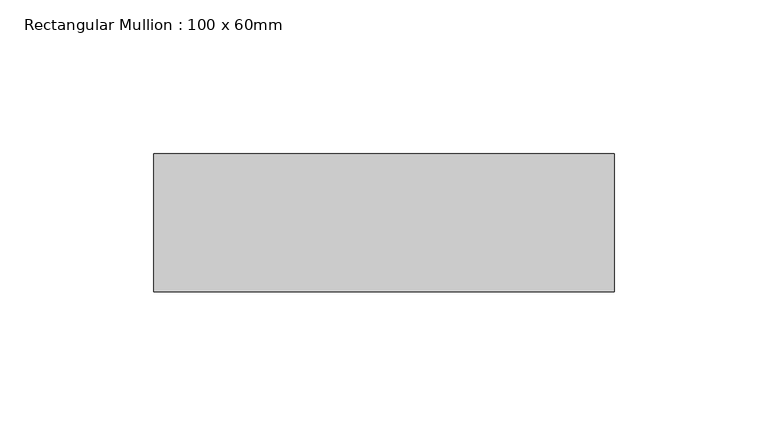
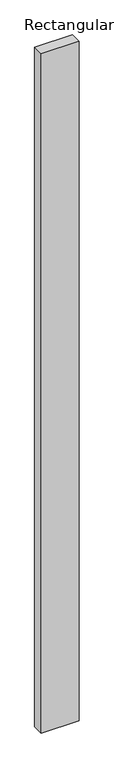
"""IFC4 building model written with IfcOpenShell, lengths in millimetres: member geometry, Rectangular Mullion : 100 x 60mm."""

from ifc_helpers import new_model, si_unit, frame, origin, place, context, project, spatial, polyline, outline, extrude, source, transform, mapped, element, save


def rectangular_mullion_100_x_60mm_aff15ef9(model_context):
    return source(origin(), model_context, "Body", "SweptSolid", [
        extrude(outline(polyline([(-75.0, -30.0), (-75.0, 15.0), (75.0, 15.0), (75.0, -30.0), (-75.0, -30.0)])), frame((0.0, 0.0, -2850.0), z_axis=(0.0, 0.0, 1.0), x_axis=(1.0, 0.0, 0.0)), (0.0, 0.0, 1.0), 2850.0),
    ])


if __name__ == "__main__":
    model = new_model("IFC4")
    model_context = context("Model", 3, world=origin())
    ifc_project = project(units=[si_unit("LENGTHUNIT", "METRE", prefix="MILLI")], contexts=[model_context])
    site = spatial("IfcSite", under=ifc_project)
    building = spatial("IfcBuilding", under=site)
    placement = place(None, origin())
    rectangular_mullion_100_x_60mm_shape = rectangular_mullion_100_x_60mm_aff15ef9(model_context)
    element("IfcMember", 1, ObjectType="Rectangular Mullion : 100 x 60mm", at=placement, inside=building, context=model_context, shape_type="MappedRepresentation", body=[
        mapped(rectangular_mullion_100_x_60mm_shape, transform((0.0, 0.0, 0.0), x_axis=(1.0, 0.0, 0.0), y_axis=(0.0, 1.0, 0.0), z_axis=(0.0, 0.0, 1.0))),
    ])
    save(model, "model.ifc")
